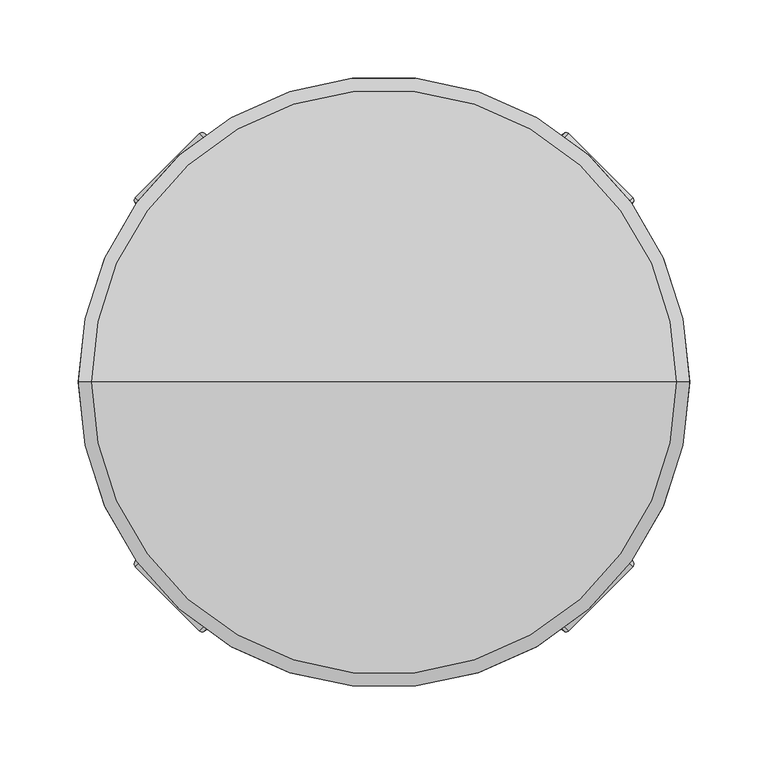
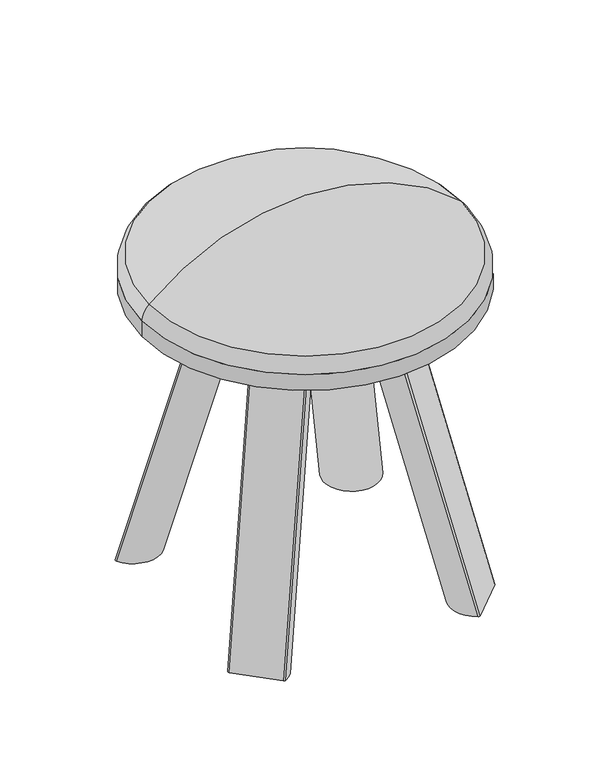
"""IFC4 building model written with IfcOpenShell, lengths in millimetres: furniture geometry."""

from ifc_helpers import new_model, si_unit, point, frame, origin, origin_2d, place, context, project, spatial, circle_curve, ellipse_curve, trimmed, segment, composite_curve, outline, extrude, source, transform, mapped, element, save
from ifc_brep_helpers import plane_surface, revolved_surface, extruded_surface, advanced_brep


def furniture_7f6c0e7c(model_context):
    return source(origin(), model_context, "Body", "SolidModel", [
        advanced_brep(
        [(0.0, 0.0, 386.0601563), (195.0, 0.0, 386.0601563), (-195.0, 0.0, 386.0601563), (186.4951438, 0.0, 403.4976955), (0.0, 0.0, 476.0601563), (-186.4951438, 0.0, 403.4976955)],
        [
            (0, 1),
            (1, 2, circle_curve(frame((0.0, 0.0, 386.0601563), z_axis=(0.0, 0.0, -1.0), x_axis=(-1.0, 0.0, 0.0)), 195.0)),
            (2, 0),
            (2, 1, circle_curve(frame((0.0, 0.0, 386.0601563), z_axis=(0.0, 0.0, -1.0), x_axis=(-1.0, 0.0, 0.0)), 195.0)),
            (3, 4, circle_curve(frame((0.0, 0.0, 200.120304), z_axis=(0.0, -1.0, 0.0), x_axis=(-1.0, 0.0, 0.0)), 275.9398523)),
            (4, 5, circle_curve(frame((0.0, 0.0, 200.120304), z_axis=(0.0, -1.0, 0.0), x_axis=(1.0, 0.0, 0.0)), 275.9398523)),
            (5, 3, circle_curve(frame((0.0, 0.0, 403.4976955), z_axis=(0.0, 0.0, 1.0), x_axis=(-1.0, 0.0, 0.0)), 186.4951438)),
            (3, 5, circle_curve(frame((0.0, 0.0, 403.4976955), z_axis=(0.0, 0.0, 1.0), x_axis=(-1.0, 0.0, 0.0)), 186.4951438)),
            (1, 3, circle_curve(frame((168.5904078, 0.0, 383.9721549), z_axis=(0.0, -1.0, 0.0), x_axis=(-1.0, 0.0, 0.0)), 26.4920047)),
            (5, 2, circle_curve(frame((-168.5904078, 0.0, 383.9721549), z_axis=(0.0, -1.0, 0.0), x_axis=(1.0, 0.0, 0.0)), 26.4920047)),
        ],
        [
            plane_surface(frame((0.0, 0.0, 386.0601563), z_axis=(0.0, 0.0, -1.0), x_axis=(-1.0, 0.0, 0.0))),
            revolved_surface(trimmed(ellipse_curve(frame((0.0, 0.0, 200.120304), z_axis=(0.0, -1.0, 0.0), x_axis=(1.0, 0.0, 0.0)), 275.9398523, 275.9398523), [point((0.0, 0.0, 476.0601563))], [point((-186.4951438, 0.0, 403.4976955))], True, "CARTESIAN"), (0.0, 0.0, 487.0601885), (0.0, 0.0, -1.0)),
            revolved_surface(trimmed(ellipse_curve(frame((-168.5904078, 0.0, 383.9721549), z_axis=(0.0, -1.0, 0.0), x_axis=(1.0, 0.0, 0.0)), 26.4920047, 26.4920047), [point((-186.4951438, 0.0, 403.4976955))], [point((-195.0, 0.0, 386.0601563))], True, "CARTESIAN"), (0.0, 0.0, 487.0601885), (0.0, 0.0, -1.0)),
        ],
        [
            (0, [[1, 2, 3]]),
            (0, [[-3, 4, -1]]),
            (1, [[5, 6, 7]]),
            (1, [[-6, -5, 8]]),
            (2, [[9, -7, 10, -2]]),
            (2, [[-10, -8, -9, -4]]),
        ],
    ),
        advanced_brep(
        [(-48.4270749, -89.2505212, 366.0601885), (-45.4578434, -89.6751235, 366.0601885), (-89.6751235, -45.4578434, 366.0601885), (-89.2505212, -48.4270749, 366.0601885), (-117.7446577, -158.6582602, 0.0), (-158.568104, -117.8348139, 0.0), (-158.9927062, -114.8655824, 0.0), (-114.7754262, -159.0828625, 0.0)],
        [
            (0, 1, circle_curve(frame((-46.6593079, -87.4827542, 366.0601885), z_axis=(0.0, 0.0, 1.0), x_axis=(0.0, 1.0, 0.0)), 2.5)),
            (1, 2, circle_curve(frame((-61.1113779, -61.1113779, 366.0601885), z_axis=(0.0, 0.0, 1.0), x_axis=(0.0, 1.0, 0.0)), 32.5717777)),
            (2, 3, circle_curve(frame((-87.4827542, -46.6593079, 366.0601885), z_axis=(0.0, 0.0, 1.0), x_axis=(0.0, 1.0, 0.0)), 2.5)),
            (3, 0),
            (4, 5),
            (5, 6, circle_curve(frame((-156.800337, -116.067047, 0.0), z_axis=(0.0, 0.0, -1.0), x_axis=(0.0, 1.0, 0.0)), 2.5)),
            (6, 7, circle_curve(frame((-130.4289607, -130.519117, 0.0), z_axis=(0.0, 0.0, -1.0), x_axis=(0.0, 1.0, 0.0)), 32.5717777)),
            (7, 4, circle_curve(frame((-115.9768907, -156.8904933, 0.0), z_axis=(0.0, 0.0, -1.0), x_axis=(0.0, 1.0, 0.0)), 2.5)),
            (4, 0),
            (3, 5),
            (2, 6),
            (1, 7),
        ],
        [
            plane_surface(frame((-68.2026407, -68.2026407, 366.0601885), z_axis=(0.0, 0.0, 1.0), x_axis=(-0.8769476996035752, -0.4805858218466267, 0.0))),
            plane_surface(frame((-137.5202235, -137.6103798, 0.0), z_axis=(0.0, 0.0, -1.0), x_axis=(-0.8769476996035752, -0.4805858218466267, 0.0))),
            plane_surface(frame((-138.1563808, -138.2465371, 0.0), z_axis=(-0.6830089309504926, -0.6830089309504882, 0.25883894699935794), x_axis=(-0.7071067811865452, 0.7071067811865498, 0.0))),
            extruded_surface(trimmed(circle_curve(frame((-87.4827542, -46.6593079, 366.0601885), z_axis=(0.0, 0.0, -1.0), x_axis=(0.0, 1.0, 0.0)), 2.5), [point((-89.2505212, -48.4270749, 366.0601885))], [point((-89.6751235, -45.4578434, 366.0601885))], True, "CARTESIAN"), (-69.31758280000001, -69.4077391, -366.0601885), 378.97549147255427),
            extruded_surface(trimmed(circle_curve(frame((-61.1113779, -61.1113779, 366.0601885), z_axis=(0.0, 0.0, -1.0), x_axis=(0.0, 1.0, 0.0)), 32.5717777), [point((-89.6751235, -45.4578434, 366.0601885))], [point((-45.4578434, -89.6751235, 366.0601885))], True, "CARTESIAN"), (-69.3175828, -69.40773909999999, -366.0601885), 378.97549147255427),
            extruded_surface(trimmed(circle_curve(frame((-46.6593079, -87.4827542, 366.0601885), z_axis=(0.0, 0.0, -1.0), x_axis=(0.0, 1.0, 0.0)), 2.5), [point((-45.4578434, -89.6751235, 366.0601885))], [point((-48.4270749, -89.2505212, 366.0601885))], True, "CARTESIAN"), (-69.3175828, -69.4077391, -366.0601885), 378.97549147255427),
        ],
        [
            (0, [[1, 2, 3, 4]]),
            (1, [[5, 6, 7, 8]]),
            (2, [[9, -4, 10, -5]]),
            (3, [[-10, -3, 11, -6]]),
            (4, [[-11, -2, 12, -7]]),
            (5, [[-12, -1, -9, -8]]),
        ],
    ),
        advanced_brep(
        [(48.4270749, 89.2505212, 366.0601885), (45.4578434, 89.6751235, 366.0601885), (89.6751235, 45.4578434, 366.0601885), (89.2505212, 48.4270749, 366.0601885), (117.8149702, 158.6185727, 0.0), (158.6384165, 117.7951264, 0.0), (159.0630187, 114.8258949, 0.0), (114.8457387, 159.043175, 0.0)],
        [
            (0, 1, circle_curve(frame((46.6593079, 87.4827542, 366.0601885), z_axis=(0.0, 0.0, 1.0), x_axis=(0.0, -1.0, 0.0)), 2.5)),
            (1, 2, circle_curve(frame((61.1113779, 61.1113779, 366.0601885), z_axis=(0.0, 0.0, 1.0), x_axis=(0.0, -1.0, 0.0)), 32.5717777)),
            (2, 3, circle_curve(frame((87.4827542, 46.6593079, 366.0601885), z_axis=(0.0, 0.0, 1.0), x_axis=(0.0, -1.0, 0.0)), 2.5)),
            (3, 0),
            (4, 5),
            (5, 6, circle_curve(frame((156.8706495, 116.0273595, 0.0), z_axis=(0.0, 0.0, -1.0), x_axis=(0.0, -1.0, 0.0)), 2.5)),
            (6, 7, circle_curve(frame((130.4992732, 130.4794295, 0.0), z_axis=(0.0, 0.0, -1.0), x_axis=(0.0, -1.0, 0.0)), 32.5717777)),
            (7, 4, circle_curve(frame((116.0472032, 156.8508058, 0.0), z_axis=(0.0, 0.0, -1.0), x_axis=(0.0, -1.0, 0.0)), 2.5)),
            (4, 0),
            (3, 5),
            (2, 6),
            (1, 7),
        ],
        [
            plane_surface(frame((68.2026407, 68.2026407, 366.0601885), z_axis=(0.0, 0.0, 1.0000000000000002), x_axis=(0.8769476996035694, 0.4805858218466374, 0.0))),
            plane_surface(frame((137.590536, 137.5706923, 0.0), z_axis=(0.0, 0.0, -1.0000000000000002), x_axis=(0.8769476996035694, 0.4805858218466374, 0.0))),
            plane_surface(frame((138.2266933, 138.2068496, 0.0), z_axis=(0.6829988280916198, 0.682998828091624, 0.25889225876982536), x_axis=(0.7071067811865497, -0.7071067811865454, 0.0))),
            extruded_surface(trimmed(circle_curve(frame((87.4827542, 46.6593079, 366.0601885), z_axis=(0.0, 0.0, -1.0), x_axis=(0.0, -1.0, 0.0)), 2.5), [point((89.2505212, 48.4270749, 366.0601885))], [point((89.6751235, 45.4578434, 366.0601885))], True, "CARTESIAN"), (69.38789530000001, 69.3680516, -366.0601885), 378.9810921426022),
            extruded_surface(trimmed(circle_curve(frame((61.1113779, 61.1113779, 366.0601885), z_axis=(0.0, 0.0, -1.0), x_axis=(0.0, -1.0, 0.0)), 32.5717777), [point((89.6751235, 45.4578434, 366.0601885))], [point((45.4578434, 89.6751235, 366.0601885))], True, "CARTESIAN"), (69.3878953, 69.3680516, -366.0601885), 378.9810921426022),
            extruded_surface(trimmed(circle_curve(frame((46.6593079, 87.4827542, 366.0601885), z_axis=(0.0, 0.0, -1.0), x_axis=(0.0, -1.0, 0.0)), 2.5), [point((45.4578434, 89.6751235, 366.0601885))], [point((48.4270749, 89.2505212, 366.0601885))], True, "CARTESIAN"), (69.3878953, 69.36805159999999, -366.0601885), 378.98109214260217),
        ],
        [
            (0, [[1, 2, 3, 4]]),
            (1, [[5, 6, 7, 8]]),
            (2, [[9, -4, 10, -5]]),
            (3, [[-10, -3, 11, -6]]),
            (4, [[-11, -2, 12, -7]]),
            (5, [[-12, -1, -9, -8]]),
        ],
    ),
        advanced_brep(
        [(89.2505212, -48.4270749, 366.0601885), (89.6751235, -45.4578434, 366.0601885), (45.4578434, -89.6751235, 366.0601885), (48.4270749, -89.2505212, 366.0601885), (158.6384165, -117.8348139, 0.0), (117.8149702, -158.6582602, 0.0), (114.8457387, -159.0828625, 0.0), (159.0630187, -114.8655824, 0.0)],
        [
            (0, 1, circle_curve(frame((87.4827542, -46.6593079, 366.0601885), z_axis=(0.0, 0.0, 1.0), x_axis=(-1.0, 0.0, 0.0)), 2.5)),
            (1, 2, circle_curve(frame((61.1113779, -61.1113779, 366.0601885), z_axis=(0.0, 0.0, 1.0), x_axis=(-1.0, 0.0, 0.0)), 32.5717777)),
            (2, 3, circle_curve(frame((46.6593079, -87.4827542, 366.0601885), z_axis=(0.0, 0.0, 1.0), x_axis=(-1.0, 0.0, 0.0)), 2.5)),
            (3, 0),
            (4, 5),
            (5, 6, circle_curve(frame((116.0472032, -156.8904933, 0.0), z_axis=(0.0, 0.0, -1.0), x_axis=(-1.0, 0.0, 0.0)), 2.5)),
            (6, 7, circle_curve(frame((130.4992732, -130.519117, 0.0), z_axis=(0.0, 0.0, -1.0), x_axis=(-1.0, 0.0, 0.0)), 32.5717777)),
            (7, 4, circle_curve(frame((156.8706495, -116.067047, 0.0), z_axis=(0.0, 0.0, -1.0), x_axis=(-1.0, 0.0, 0.0)), 2.5)),
            (4, 0),
            (3, 5),
            (2, 6),
            (1, 7),
        ],
        [
            plane_surface(frame((68.2026407, -68.2026407, 366.0601885), z_axis=(0.0, 0.0, 1.0), x_axis=(0.4805858218466321, -0.8769476996035722, 0.0))),
            plane_surface(frame((137.590536, -137.6103798, 0.0), z_axis=(0.0, 0.0, -1.0), x_axis=(0.4805858218466321, -0.8769476996035722, 0.0))),
            plane_surface(frame((138.2266933, -138.2465371, 0.0), z_axis=(0.6829857329608829, -0.6829857329608893, 0.25896134295249995), x_axis=(-0.7071067811865508, -0.7071067811865442, 0.0))),
            extruded_surface(trimmed(circle_curve(frame((46.6593079, -87.4827542, 366.0601885), z_axis=(0.0, 0.0, -1.0), x_axis=(-1.0, 0.0, 0.0)), 2.5), [point((48.4270749, -89.2505212, 366.0601885))], [point((45.4578434, -89.6751235, 366.0601885))], True, "CARTESIAN"), (69.3878953, -69.4077391, -366.0601885), 378.9883584832032),
            extruded_surface(trimmed(circle_curve(frame((61.1113779, -61.1113779, 366.0601885), z_axis=(0.0, 0.0, -1.0), x_axis=(-1.0, 0.0, 0.0)), 32.5717777), [point((45.4578434, -89.6751235, 366.0601885))], [point((89.6751235, -45.4578434, 366.0601885))], True, "CARTESIAN"), (69.3878953, -69.40773909999999, -366.0601885), 378.9883584832032),
            extruded_surface(trimmed(circle_curve(frame((87.4827542, -46.6593079, 366.0601885), z_axis=(0.0, 0.0, -1.0), x_axis=(-1.0, 0.0, 0.0)), 2.5), [point((89.6751235, -45.4578434, 366.0601885))], [point((89.2505212, -48.4270749, 366.0601885))], True, "CARTESIAN"), (69.38789530000001, -69.4077391, -366.0601885), 378.9883584832032),
        ],
        [
            (0, [[1, 2, 3, 4]]),
            (1, [[5, 6, 7, 8]]),
            (2, [[9, -4, 10, -5]]),
            (3, [[-10, -3, 11, -6]]),
            (4, [[-11, -2, 12, -7]]),
            (5, [[-12, -1, -9, -8]]),
        ],
    ),
        advanced_brep(
        [(-89.2505212, 48.4270749, 366.0601885), (-89.6751235, 45.4578434, 366.0601885), (-45.4578434, 89.6751235, 366.0601885), (-48.4270749, 89.2505212, 366.0601885), (-158.568104, 117.7951264, 0.0), (-117.7446577, 158.6185727, 0.0), (-114.7754262, 159.043175, 0.0), (-158.9927062, 114.8258949, 0.0)],
        [
            (0, 1, circle_curve(frame((-87.4827542, 46.6593079, 366.0601885), z_axis=(0.0, 0.0, 1.0), x_axis=(1.0, 0.0, 0.0)), 2.5)),
            (1, 2, circle_curve(frame((-61.1113779, 61.1113779, 366.0601885), z_axis=(0.0, 0.0, 1.0), x_axis=(1.0, 0.0, 0.0)), 32.5717777)),
            (2, 3, circle_curve(frame((-46.6593079, 87.4827542, 366.0601885), z_axis=(0.0, 0.0, 1.0), x_axis=(1.0, 0.0, 0.0)), 2.5)),
            (3, 0),
            (4, 5),
            (5, 6, circle_curve(frame((-115.9768907, 156.8508058, 0.0), z_axis=(0.0, 0.0, -1.0), x_axis=(1.0, 0.0, 0.0)), 2.5)),
            (6, 7, circle_curve(frame((-130.4289607, 130.4794295, 0.0), z_axis=(0.0, 0.0, -1.0), x_axis=(1.0, 0.0, 0.0)), 32.5717777)),
            (7, 4, circle_curve(frame((-156.800337, 116.0273595, 0.0), z_axis=(0.0, 0.0, -1.0), x_axis=(1.0, 0.0, 0.0)), 2.5)),
            (4, 0),
            (3, 5),
            (2, 6),
            (1, 7),
        ],
        [
            plane_surface(frame((-68.2026407, 68.2026407, 366.0601885), z_axis=(0.0, 0.0, 1.0), x_axis=(-0.4805858218466318, 0.8769476996035724, 0.0))),
            plane_surface(frame((-137.5202235, 137.5706923, 0.0), z_axis=(0.0, 0.0, -1.0), x_axis=(-0.4805858218466318, 0.8769476996035724, 0.0))),
            plane_surface(frame((-138.1563808, 138.2068496, 0.0), z_axis=(-0.6830220207800293, 0.6830220207800269, 0.25876985577754996), x_axis=(0.7071067811865464, 0.7071067811865487, 0.0))),
            extruded_surface(trimmed(circle_curve(frame((-46.6593079, 87.4827542, 366.0601885), z_axis=(0.0, 0.0, -1.0), x_axis=(1.0, 0.0, 0.0)), 2.5), [point((-48.4270749, 89.2505212, 366.0601885))], [point((-45.4578434, 89.6751235, 366.0601885))], True, "CARTESIAN"), (-69.3175828, 69.36805159999999, -366.0601885), 378.96822488524106),
            extruded_surface(trimmed(circle_curve(frame((-61.1113779, 61.1113779, 366.0601885), z_axis=(0.0, 0.0, -1.0), x_axis=(1.0, 0.0, 0.0)), 32.5717777), [point((-45.4578434, 89.6751235, 366.0601885))], [point((-89.6751235, 45.4578434, 366.0601885))], True, "CARTESIAN"), (-69.3175828, 69.3680516, -366.0601885), 378.96822488524106),
            extruded_surface(trimmed(circle_curve(frame((-87.4827542, 46.6593079, 366.0601885), z_axis=(0.0, 0.0, -1.0), x_axis=(1.0, 0.0, 0.0)), 2.5), [point((-89.6751235, 45.4578434, 366.0601885))], [point((-89.2505212, 48.4270749, 366.0601885))], True, "CARTESIAN"), (-69.31758280000001, 69.3680516, -366.0601885), 378.96822488524106),
        ],
        [
            (0, [[1, 2, 3, 4]]),
            (1, [[5, 6, 7, 8]]),
            (2, [[9, -4, 10, -5]]),
            (3, [[-10, -3, 11, -6]]),
            (4, [[-11, -2, 12, -7]]),
            (5, [[-12, -1, -9, -8]]),
        ],
    ),
        extrude(outline(composite_curve([segment(trimmed(circle_curve(origin_2d(), 195.0), [point((-195.0, 0.0))], [point((195.0, 0.0))], False, "CARTESIAN"), True, "CONTINUOUS"), segment(trimmed(circle_curve(origin_2d(), 195.0), [point((195.0, 0.0))], [point((-195.0, 0.0))], False, "CARTESIAN"), True, "CONTINUOUS")], self_intersect=False)), frame((0.0, 0.0, 366.0601885), z_axis=(0.0, 0.0, 1.0), x_axis=(1.0, 0.0, 0.0)), (0.0, 0.0, 1.0), 19.9999677),
    ])


if __name__ == "__main__":
    model = new_model("IFC4")
    model_context = context("Model", 3, world=origin())
    ifc_project = project(units=[si_unit("LENGTHUNIT", "METRE", prefix="MILLI")], contexts=[model_context])
    site = spatial("IfcSite", under=ifc_project)
    building = spatial("IfcBuilding", under=site)
    placement = place(None, origin())
    furniture_shape = furniture_7f6c0e7c(model_context)
    element("IfcFurniture", 1, at=placement, inside=building, context=model_context, shape_type="MappedRepresentation", body=[
        mapped(furniture_shape, transform((0.0, 0.0, 0.0), x_axis=(1.0, 0.0, 0.0), y_axis=(0.0, 1.0, 0.0), z_axis=(0.0, 0.0, 1.0))),
    ])
    save(model, "model.ifc")
